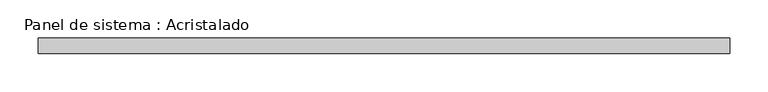
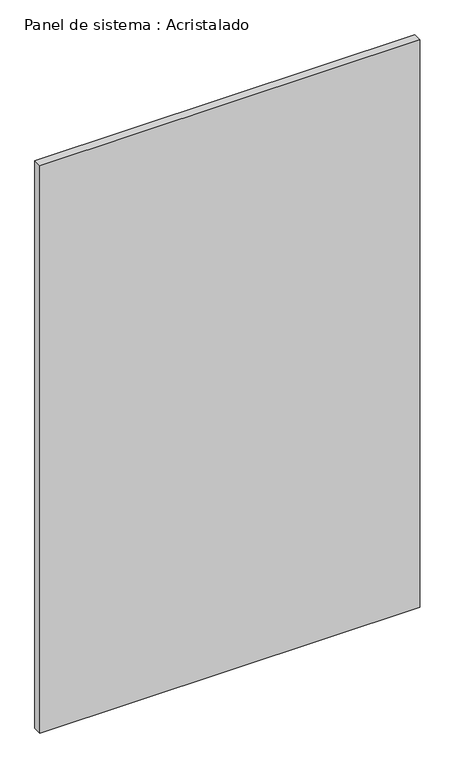
"""IFC4 building model written with IfcOpenShell, lengths in millimetres: plate geometry, Panel de sistema : Acristalado."""

from ifc_helpers import new_model, si_unit, origin, origin_with_axes, place, context, project, spatial, polyline, outline, extrude, source, transform, mapped, element, save


def panel_de_sistema_acristalado_82a2f564(model_context):
    return source(origin(), model_context, "Body", "SweptSolid", [
        extrude(outline(polyline([(449.5528371, -10.0), (-449.5528371, -10.0), (-449.5528371, 10.0), (449.5528371, 10.0), (449.5528371, -10.0)])), origin_with_axes(), (0.0, 0.0, 1.0), 1419.2228533),
    ])


if __name__ == "__main__":
    model = new_model("IFC4")
    model_context = context("Model", 3, world=origin())
    ifc_project = project(units=[si_unit("LENGTHUNIT", "METRE", prefix="MILLI")], contexts=[model_context])
    site = spatial("IfcSite", under=ifc_project)
    building = spatial("IfcBuilding", under=site)
    placement = place(None, origin())
    panel_de_sistema_acristalado_shape = panel_de_sistema_acristalado_82a2f564(model_context)
    element("IfcPlate", 1, ObjectType="Panel de sistema : Acristalado", at=placement, inside=building, context=model_context, shape_type="MappedRepresentation", body=[
        mapped(panel_de_sistema_acristalado_shape, transform((0.0, 0.0, 0.0), x_axis=(1.0, 0.0, 0.0), y_axis=(0.0, 1.0, 0.0), z_axis=(0.0, 0.0, 1.0))),
    ])
    save(model, "model.ifc")
